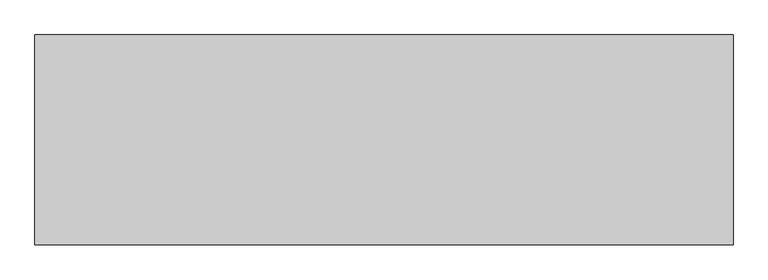
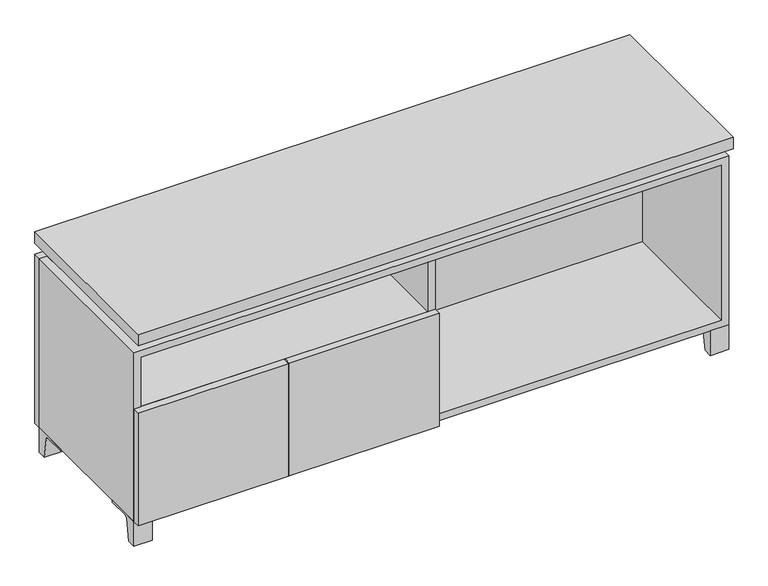
"""IFC4 building model written with IfcOpenShell, lengths in millimetres: furniture geometry."""

from ifc_helpers import new_model, si_unit, point, frame, frame_2d, origin, place, context, project, spatial, polyline, circle_curve, trimmed, segment, composite_curve, outline, extrude, faceted_brep, source, transform, mapped, element, save


def furniture_c5952911(model_context):
    return source(origin(), model_context, "Body", "SolidModel", [
        extrude(outline(composite_curve([segment(polyline([(44.9791531, 0.0), (22.225, 0.0), (22.225, 66.675), (117.475, 66.675), (117.475, 61.8963321), (60.6744655, 61.8963321)]), True, "CONTINUOUS"), segment(trimmed(circle_curve(frame_2d((60.6744655, 55.5463321)), 6.35), [point((60.6744655, 61.8963321))], [point((54.4108641, 56.5902656))], True, "CARTESIAN"), True, "CONTINUOUS"), segment(polyline([(54.4108641, 56.5902656), (44.9791531, 0.0)]), True, "CONTINUOUS")], self_intersect=False)), frame((-23.7986094, 0.0, 0.0), z_axis=(1.0, 0.0, 0.0), x_axis=(0.0, 1.0, 0.0)), (0.0, 0.0, 1.0), 47.625),
        extrude(outline(composite_curve([segment(polyline([(-123.2958469, 0.0), (-146.05, 0.0), (-146.05, 66.675), (-50.8, 66.675), (-50.8, 61.8963321), (-107.6005345, 61.8963321)]), True, "CONTINUOUS"), segment(trimmed(circle_curve(frame_2d((-107.6005345, 55.5463321)), 6.35), [point((-107.6005345, 61.8963321))], [point((-113.8641359, 56.5902656))], True, "CARTESIAN"), True, "CONTINUOUS"), segment(polyline([(-113.8641359, 56.5902656), (-123.2958469, 0.0)]), True, "CONTINUOUS")], self_intersect=False)), frame((712.8013906, 0.0, 0.0), z_axis=(1.0, 0.0, 0.0), x_axis=(0.0, 1.0, 0.0)), (0.0, 0.0, 1.0), 47.625),
        extrude(outline(composite_curve([segment(polyline([(250.2958469, 0.0), (240.8641359, 56.5902656)]), True, "CONTINUOUS"), segment(trimmed(circle_curve(frame_2d((234.6005345, 55.5463321)), 6.35), [point((240.8641359, 56.5902656))], [point((234.6005345, 61.8963321))], True, "CARTESIAN"), True, "CONTINUOUS"), segment(polyline([(234.6005345, 61.8963321), (177.8, 61.8963321), (177.8, 66.675), (273.05, 66.675), (273.05, 0.0), (250.2958469, 0.0)]), True, "CONTINUOUS")], self_intersect=False)), frame((712.8013906, 0.0, 0.0), z_axis=(1.0, 0.0, 0.0), x_axis=(0.0, 1.0, 0.0)), (0.0, 0.0, 1.0), 47.625),
        extrude(outline(composite_curve([segment(polyline([(-123.2958469, 0.0), (-146.05, 0.0), (-146.05, 66.675), (-50.8, 66.675), (-50.8, 61.8963321), (-107.6005345, 61.8963321)]), True, "CONTINUOUS"), segment(trimmed(circle_curve(frame_2d((-107.6005345, 55.5463321)), 6.35), [point((-107.6005345, 61.8963321))], [point((-113.8641359, 56.5902656))], True, "CARTESIAN"), True, "CONTINUOUS"), segment(polyline([(-113.8641359, 56.5902656), (-123.2958469, 0.0)]), True, "CONTINUOUS")], self_intersect=False)), frame((-760.3986094, 0.0, 0.0), z_axis=(1.0, 0.0, 0.0), x_axis=(0.0, 1.0, 0.0)), (0.0, 0.0, 1.0), 47.625),
        extrude(outline(composite_curve([segment(polyline([(250.2958469, 0.0), (240.8641359, 56.5902656)]), True, "CONTINUOUS"), segment(trimmed(circle_curve(frame_2d((234.6005345, 55.5463321)), 6.35), [point((240.8641359, 56.5902656))], [point((234.6005345, 61.8963321))], True, "CARTESIAN"), True, "CONTINUOUS"), segment(polyline([(234.6005345, 61.8963321), (177.8, 61.8963321), (177.8, 66.675), (273.05, 66.675), (273.05, 0.0), (250.2958469, 0.0)]), True, "CONTINUOUS")], self_intersect=False)), frame((-760.3986094, 0.0, 0.0), z_axis=(1.0, 0.0, 0.0), x_axis=(0.0, 1.0, 0.0)), (0.0, 0.0, 1.0), 47.625),
        faceted_brep([(-760.3986094, -146.05, 66.675), (760.4125, -146.05, 66.675), (760.4125, -146.05, 523.875), (-760.3986094, -146.05, 523.875), (-741.3486094, -146.05, 85.725), (-741.3486094, -146.05, 504.825), (741.3694453, -146.05, 504.825), (741.3486094, -146.05, 85.725), (-760.3986094, 273.05, 66.675), (-760.3986094, 273.05, 523.875), (-741.3486094, 273.05, 523.875), (-741.3486094, 273.05, 85.725), (741.3486094, 273.05, 85.725), (741.3486094, 273.05, 523.875), (760.4125, 273.05, 523.875), (760.4125, 273.05, 66.675), (741.3486094, 247.65, 523.875), (-741.3416641, 247.65, 523.875), (-741.3486094, 247.65, 504.825), (741.3486094, 247.65, 504.825)], [[[0, 1, 2, 3], [4, 5, 6, 7]], [[8, 9, 10, 11, 12, 13, 14, 15]], [[1, 0, 8, 15]], [[2, 1, 15, 14]], [[3, 2, 14, 13, 16, 17, 10, 9]], [[0, 3, 9, 8]], [[11, 10, 17, 18, 5, 4]], [[13, 12, 7, 6, 19, 16]], [[4, 7, 12, 11]], [[6, 5, 18, 19]], [[17, 16, 19, 18]]]),
        extrude(outline(polyline([(760.4263906, -165.1), (-760.3986094, -165.1), (-760.3986094, 292.1), (760.4263906, 292.1), (760.4263906, -165.1)])), frame((0.0, 0.0, 554.0375), z_axis=(0.0, 0.0, 1.0), x_axis=(1.0, 0.0, 0.0)), (0.0, 0.0, 1.0), 30.1625),
        faceted_brep([(7.9513906, -69.85, 554.0375), (7.9513906, -69.85, 523.875), (7.9513906, 53.975, 523.875), (7.9513906, 53.975, 554.0375), (7.9513906, 196.85, 523.875), (7.9513906, 196.85, 554.0375), (7.9513906, 73.025, 554.0375), (7.9513906, 73.025, 523.875), (-7.9236094, 196.85, 554.0375), (-7.9236094, 196.85, 523.875), (-7.9236094, 73.025, 523.875), (-7.9236094, 73.025, 554.0375), (-7.9236094, -69.85, 523.875), (-7.9236094, -69.85, 554.0375), (-7.9236094, 53.975, 554.0375), (-7.9236094, 53.975, 523.875), (-719.0958281, 73.025, 554.0375), (-719.1166641, 247.65, 554.0375), (-734.9916641, 247.65, 554.0375), (-734.9916641, -120.65, 554.0375), (-719.1166641, -120.65, 554.0375), (-719.1166641, 53.975, 554.0375), (719.1236094, 53.975, 554.0375), (719.1236094, -120.65, 554.0375), (734.9986094, -120.65, 554.0375), (734.9986094, 247.65, 554.0375), (719.1236094, 247.65, 554.0375), (719.1236094, 73.025, 554.0375), (-719.0958281, 53.975, 523.875), (-719.1166641, -120.65, 523.875), (-734.9916641, -120.65, 523.875), (-734.9916641, 247.65, 523.875), (-719.1166641, 247.65, 523.875), (-719.1166641, 73.025, 523.875), (719.1236094, 73.025, 523.875), (719.1236094, 247.65, 523.875), (734.9986094, 247.65, 523.875), (734.9986094, -120.65, 523.875), (719.1236094, -120.65, 523.875), (719.1236094, 53.975, 523.875)], [[[0, 1, 2, 3]], [[4, 5, 6, 7]], [[8, 9, 10, 11]], [[12, 13, 14, 15]], [[5, 8, 11, 16, 17, 18, 19, 20, 21, 14, 13, 0, 3, 22, 23, 24, 25, 26, 27, 6]], [[1, 12, 15, 28, 29, 30, 31, 32, 33, 10, 9, 4, 7, 34, 35, 36, 37, 38, 39, 2]], [[5, 4, 9, 8]], [[1, 0, 13, 12]], [[6, 27, 34, 7]], [[22, 3, 2, 39]], [[20, 29, 28, 21]], [[32, 17, 16, 33]], [[18, 31, 30, 19]], [[29, 20, 19, 30]], [[17, 32, 31, 18]], [[26, 35, 34, 27]], [[38, 23, 22, 39]], [[25, 24, 37, 36]], [[23, 38, 37, 24]], [[35, 26, 25, 36]], [[16, 11, 10, 33]], [[14, 21, 28, 15]]]),
        extrude(outline(polyline([(9.5388906, 203.2), (9.5388906, -146.05), (-9.5111094, -146.05), (-9.5111094, 203.2), (9.5388906, 203.2)])), frame((0.0, 0.0, 85.725), z_axis=(0.0, 0.0, 1.0), x_axis=(1.0, 0.0, 0.0)), (0.0, 0.0, 1.0), 419.1),
        extrude(outline(polyline([(760.4263906, 273.05), (-760.3986094, 273.05), (-760.3986094, 292.1), (760.4263906, 292.1), (760.4263906, 273.05)])), frame((0.0, 0.0, 66.675), z_axis=(0.0, 0.0, 1.0), x_axis=(1.0, 0.0, 0.0)), (0.0, 0.0, 1.0), 457.2),
        extrude(outline(polyline([(-741.3416641, 203.2), (-741.3416641, 209.55), (741.3694453, 209.55), (741.3694453, 203.2), (-741.3416641, 203.2)])), frame((0.0, 0.0, 85.725), z_axis=(0.0, 0.0, 1.0), x_axis=(1.0, 0.0, 0.0)), (0.0, 0.0, 1.0), 419.1),
        extrude(outline(polyline([(9.5388906, -165.1), (-373.8423594, -165.1), (-373.8423594, -146.05), (9.5388906, -146.05), (9.5388906, -165.1)])), frame((0.0, 0.0, 66.675), z_axis=(0.0, 0.0, 1.0), x_axis=(1.0, 0.0, 0.0)), (0.0, 0.0, 1.0), 304.8),
        extrude(outline(polyline([(-377.0173594, -165.1), (-760.3986094, -165.1), (-760.3986094, -146.05), (-377.0173594, -146.05), (-377.0173594, -165.1)])), frame((0.0, 0.0, 66.675), z_axis=(0.0, 0.0, 1.0), x_axis=(1.0, 0.0, 0.0)), (0.0, 0.0, 1.0), 304.8),
        extrude(outline(polyline([(-9.5111094, 203.2), (-9.5111094, -146.05), (-741.3486094, -146.05), (-741.3486094, 203.2), (-9.5111094, 203.2)])), frame((0.0, 0.0, 352.425), z_axis=(0.0, 0.0, 1.0), x_axis=(1.0, 0.0, 0.0)), (0.0, 0.0, 1.0), 19.05),
    ])


if __name__ == "__main__":
    model = new_model("IFC4")
    model_context = context("Model", 3, world=origin())
    ifc_project = project(units=[si_unit("LENGTHUNIT", "METRE", prefix="MILLI")], contexts=[model_context])
    site = spatial("IfcSite", under=ifc_project)
    building = spatial("IfcBuilding", under=site)
    placement = place(None, origin())
    furniture_shape = furniture_c5952911(model_context)
    element("IfcFurniture", 1, at=placement, inside=building, context=model_context, shape_type="MappedRepresentation", body=[
        mapped(furniture_shape, transform((0.0, 0.0, 0.0), x_axis=(1.0, 0.0, 0.0), y_axis=(0.0, 1.0, 0.0), z_axis=(0.0, 0.0, 1.0))),
    ])
    save(model, "model.ifc")
